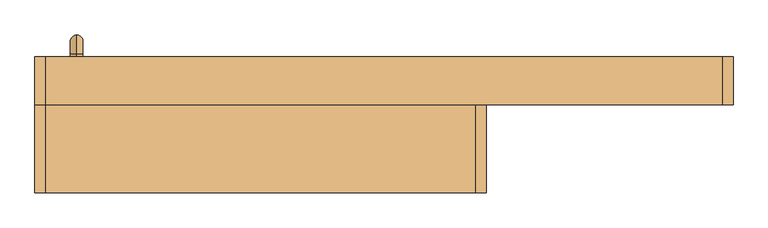
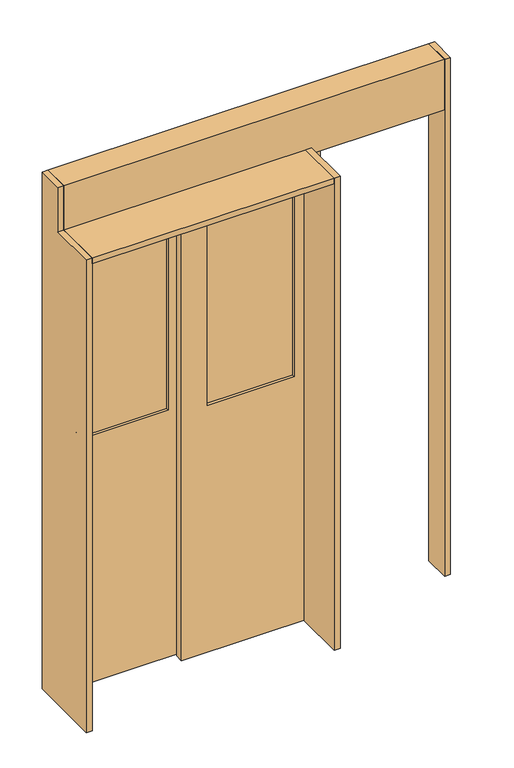
"""IFC4 building model written with IfcOpenShell, lengths in millimetres: door geometry."""

from ifc_helpers import new_model, si_unit, point, frame, origin, origin_with_axes, place, context, project, spatial, polyline, circle_curve, ellipse_curve, trimmed, outline, extrude, source, transform, mapped, element, save
from ifc_brep_helpers import cylinder_surface, revolved_surface, advanced_brep


def door_629456d8(model_context):
    return source(origin(), model_context, "Body", "SolidModel", [
        extrude(outline(polyline([(515.0, 152.5), (145.0, 152.5), (145.0, 162.5), (515.0, 162.5), (515.0, 152.5)])), frame((0.0, 0.0, 1110.0), z_axis=(0.0, 0.0, 1.0), x_axis=(1.0, 0.0, 0.0)), (0.0, 0.0, 1.0), 880.0),
        extrude(outline(polyline([(0.0, 625.0), (2100.0, 625.0), (2100.0, 35.0), (0.0, 35.0), (0.0, 625.0)]), holes=[polyline([(1990.0, 515.0), (1110.0, 515.0), (1110.0, 145.0), (1990.0, 145.0), (1990.0, 515.0)])]), frame((0.0, 140.0, 0.0), z_axis=(0.0, 1.0, 0.0), x_axis=(0.0, 0.0, 1.0)), (0.0, 0.0, 1.0), 35.0),
        advanced_brep(
        [(-400.0, 262.5, 830.0), (-400.0, 247.5, 815.0), (-400.0, 247.5, 785.0), (-400.0, 292.5, 830.0), (-400.0, 292.5, 1170.0), (-400.0, 262.5, 1170.0), (-400.0, 247.5, 1185.0), (-400.0, 247.5, 1215.0), (-400.0, 157.5, 1215.0), (-400.0, 157.5, 1185.0), (-400.0, 142.5, 1170.0), (-400.0, 112.5, 1170.0), (-400.0, 112.5, 830.0), (-400.0, 142.5, 830.0), (-400.0, 157.5, 815.0), (-400.0, 157.5, 785.0)],
        [
            (0, 1, circle_curve(frame((-400.0, 247.5, 830.0), z_axis=(-1.0, 0.0, 0.0), x_axis=(0.0, 0.0, -1.0)), 15.0)),
            (1, 2, circle_curve(frame((-400.0, 247.5, 800.0), z_axis=(0.0, 1.0, 0.0), x_axis=(0.0, 0.0, 1.0)), 15.0)),
            (2, 3, circle_curve(frame((-400.0, 247.5, 830.0), z_axis=(1.0, 0.0, 0.0), x_axis=(0.0, 0.0, -1.0)), 45.0)),
            (3, 0, circle_curve(frame((-400.0, 277.5, 830.0), z_axis=(0.0, 0.0, -1.0), x_axis=(0.0, -1.0, 0.0)), 15.0)),
            (2, 1, circle_curve(frame((-400.0, 247.5, 800.0), z_axis=(0.0, 1.0, 0.0), x_axis=(0.0, 0.0, 1.0)), 15.0)),
            (0, 3, circle_curve(frame((-400.0, 277.5, 830.0), z_axis=(0.0, 0.0, -1.0), x_axis=(0.0, -1.0, 0.0)), 15.0)),
            (3, 4),
            (4, 5, circle_curve(frame((-400.0, 277.5, 1170.0), z_axis=(0.0, 0.0, -1.0), x_axis=(0.0, -1.0, 0.0)), 15.0)),
            (5, 0),
            (5, 4, circle_curve(frame((-400.0, 277.5, 1170.0), z_axis=(0.0, 0.0, -1.0), x_axis=(0.0, -1.0, 0.0)), 15.0)),
            (6, 5, circle_curve(frame((-400.0, 247.5, 1170.0), z_axis=(-1.0, 0.0, 0.0), x_axis=(0.0, 1.0, 0.0)), 15.0)),
            (4, 7, circle_curve(frame((-400.0, 247.5, 1170.0), z_axis=(1.0, 0.0, 0.0), x_axis=(0.0, 1.0, 0.0)), 45.0)),
            (7, 6, circle_curve(frame((-400.0, 247.5, 1200.0), z_axis=(0.0, 1.0, 0.0), x_axis=(0.0, 0.0, -1.0)), 15.0)),
            (6, 7, circle_curve(frame((-400.0, 247.5, 1200.0), z_axis=(0.0, 1.0, 0.0), x_axis=(0.0, 0.0, -1.0)), 15.0)),
            (7, 8),
            (8, 9, circle_curve(frame((-400.0, 157.5, 1200.0), z_axis=(0.0, 1.0, 0.0), x_axis=(0.0, 0.0, -1.0)), 15.0)),
            (9, 6),
            (9, 8, circle_curve(frame((-400.0, 157.5, 1200.0), z_axis=(0.0, 1.0, 0.0), x_axis=(0.0, 0.0, -1.0)), 15.0)),
            (10, 9, circle_curve(frame((-400.0, 157.5, 1170.0), z_axis=(-1.0, 0.0, 0.0), x_axis=(0.0, 0.0, 1.0)), 15.0)),
            (8, 11, circle_curve(frame((-400.0, 157.5, 1170.0), z_axis=(1.0, 0.0, 0.0), x_axis=(0.0, 0.0, 1.0)), 45.0)),
            (11, 10, circle_curve(frame((-400.0, 127.5, 1170.0), z_axis=(0.0, 0.0, 1.0), x_axis=(0.0, 1.0, 0.0)), 15.0)),
            (10, 11, circle_curve(frame((-400.0, 127.5, 1170.0), z_axis=(0.0, 0.0, 1.0), x_axis=(0.0, 1.0, 0.0)), 15.0)),
            (11, 12),
            (12, 13, circle_curve(frame((-400.0, 127.5, 830.0), z_axis=(0.0, 0.0, 1.0), x_axis=(0.0, 1.0, 0.0)), 15.0)),
            (13, 10),
            (13, 12, circle_curve(frame((-400.0, 127.5, 830.0), z_axis=(0.0, 0.0, 1.0), x_axis=(0.0, 1.0, 0.0)), 15.0)),
            (14, 13, circle_curve(frame((-400.0, 157.5, 830.0), z_axis=(-1.0, 0.0, 0.0), x_axis=(0.0, -1.0, 0.0)), 15.0)),
            (12, 15, circle_curve(frame((-400.0, 157.5, 830.0), z_axis=(1.0, 0.0, 0.0), x_axis=(0.0, -1.0, 0.0)), 45.0)),
            (15, 14, circle_curve(frame((-400.0, 157.5, 800.0), z_axis=(0.0, -1.0, 0.0), x_axis=(0.0, 0.0, 1.0)), 15.0)),
            (14, 15, circle_curve(frame((-400.0, 157.5, 800.0), z_axis=(0.0, -1.0, 0.0), x_axis=(0.0, 0.0, 1.0)), 15.0)),
            (15, 2),
            (1, 14),
        ],
        [
            revolved_surface(trimmed(ellipse_curve(frame((-400.0, 247.5, 800.0), z_axis=(0.0, -1.0, 0.0), x_axis=(0.0, 0.0, 1.0)), 15.0, 15.0), [point((-400.0, 247.5, 785.0))], [point((-400.0, 247.5, 815.0))], True, "CARTESIAN"), (-400.0, 247.5, 830.0), (1.0, 0.0, 0.0)),
            revolved_surface(trimmed(ellipse_curve(frame((-400.0, 247.5, 800.0), z_axis=(0.0, -1.0, 0.0), x_axis=(0.0, 0.0, 1.0)), 15.0, 15.0), [point((-400.0, 247.5, 815.0))], [point((-400.0, 247.5, 785.0))], True, "CARTESIAN"), (-400.0, 247.5, 830.0), (1.0, 0.0, 0.0)),
            cylinder_surface(frame((-400.0, 277.5, 830.0), z_axis=(0.0, 0.0, -1.0), x_axis=(0.0, -1.0, 0.0)), 15.0),
            revolved_surface(trimmed(ellipse_curve(frame((-400.0, 277.5, 1170.0), z_axis=(0.0, 0.0, -1.0), x_axis=(0.0, -1.0, 0.0)), 15.0, 15.0), [point((-400.0, 292.5, 1170.0))], [point((-400.0, 262.5, 1170.0))], True, "CARTESIAN"), (-400.0, 247.5, 1170.0), (1.0, 0.0, 0.0)),
            revolved_surface(trimmed(ellipse_curve(frame((-400.0, 277.5, 1170.0), z_axis=(0.0, 0.0, -1.0), x_axis=(0.0, -1.0, 0.0)), 15.0, 15.0), [point((-400.0, 262.5, 1170.0))], [point((-400.0, 292.5, 1170.0))], True, "CARTESIAN"), (-400.0, 247.5, 1170.0), (1.0, 0.0, 0.0)),
            cylinder_surface(frame((-400.0, 247.5, 1200.0), z_axis=(0.0, 1.0, 0.0), x_axis=(0.0, 0.0, -1.0)), 15.0),
            revolved_surface(trimmed(ellipse_curve(frame((-400.0, 157.5, 1200.0), z_axis=(0.0, 1.0, 0.0), x_axis=(0.0, 0.0, -1.0)), 15.0, 15.0), [point((-400.0, 157.5, 1215.0))], [point((-400.0, 157.5, 1185.0))], True, "CARTESIAN"), (-400.0, 157.5, 1170.0), (1.0, 0.0, 0.0)),
            revolved_surface(trimmed(ellipse_curve(frame((-400.0, 157.5, 1200.0), z_axis=(0.0, 1.0, 0.0), x_axis=(0.0, 0.0, -1.0)), 15.0, 15.0), [point((-400.0, 157.5, 1185.0))], [point((-400.0, 157.5, 1215.0))], True, "CARTESIAN"), (-400.0, 157.5, 1170.0), (1.0, 0.0, 0.0)),
            cylinder_surface(frame((-400.0, 127.5, 1170.0), z_axis=(0.0, 0.0, 1.0), x_axis=(0.0, 1.0, 0.0)), 15.0),
            revolved_surface(trimmed(ellipse_curve(frame((-400.0, 127.5, 830.0), z_axis=(0.0, 0.0, 1.0), x_axis=(0.0, 1.0, 0.0)), 15.0, 15.0), [point((-400.0, 112.5, 830.0))], [point((-400.0, 142.5, 830.0))], True, "CARTESIAN"), (-400.0, 157.5, 830.0), (1.0, 0.0, 0.0)),
            revolved_surface(trimmed(ellipse_curve(frame((-400.0, 127.5, 830.0), z_axis=(0.0, 0.0, 1.0), x_axis=(0.0, 1.0, 0.0)), 15.0, 15.0), [point((-400.0, 142.5, 830.0))], [point((-400.0, 112.5, 830.0))], True, "CARTESIAN"), (-400.0, 157.5, 830.0), (1.0, 0.0, 0.0)),
            cylinder_surface(frame((-400.0, 157.5, 800.0), z_axis=(0.0, -1.0, 0.0), x_axis=(0.0, 0.0, 1.0)), 15.0),
        ],
        [
            (0, [[1, 2, 3, 4]]),
            (1, [[-3, 5, -1, 6]]),
            (2, [[-4, 7, 8, 9]]),
            (2, [[-6, -9, 10, -7]]),
            (3, [[11, -8, 12, 13]]),
            (4, [[-12, -10, -11, 14]]),
            (5, [[-13, 15, 16, 17]]),
            (5, [[-14, -17, 18, -15]]),
            (6, [[19, -16, 20, 21]]),
            (7, [[-20, -18, -19, 22]]),
            (8, [[-21, 23, 24, 25]]),
            (8, [[-22, -25, 26, -23]]),
            (9, [[27, -24, 28, 29]]),
            (10, [[-28, -26, -27, 30]]),
            (11, [[-29, 31, -2, 32]]),
            (11, [[-30, -32, -5, -31]]),
        ],
    ),
        extrude(outline(polyline([(5.0, 197.5), (-365.0, 197.5), (-365.0, 207.5), (5.0, 207.5), (5.0, 197.5)])), frame((0.0, 0.0, 1110.0), z_axis=(0.0, 0.0, 1.0), x_axis=(1.0, 0.0, 0.0)), (0.0, 0.0, 1.0), 880.0),
        extrude(outline(polyline([(0.0, 115.0), (2100.0, 115.0), (2100.0, -475.0), (0.0, -475.0), (0.0, 115.0)]), holes=[polyline([(1990.0, 5.0), (1110.0, 5.0), (1110.0, -365.0), (1990.0, -365.0), (1990.0, 5.0)])]), frame((0.0, 185.0, 0.0), z_axis=(0.0, 1.0, 0.0), x_axis=(0.0, 0.0, 1.0)), (0.0, 0.0, 1.0), 35.0),
        extrude(outline(polyline([(125.0, 2325.0), (240.0, 2325.0), (240.0, 0.0), (-85.0, 0.0), (-85.0, 2125.0), (125.0, 2125.0), (125.0, 2325.0)])), frame((-500.0, 0.0, 0.0), z_axis=(1.0, 0.0, 0.0), x_axis=(0.0, 1.0, 0.0)), (0.0, 0.0, 1.0), 25.0),
        extrude(outline(polyline([(1145.0, 240.0), (1170.0, 240.0), (1170.0, 125.0), (1145.0, 125.0), (1145.0, 240.0)])), origin_with_axes(), (0.0, 0.0, 1.0), 2325.0),
        extrude(outline(polyline([(580.0, 135.0), (580.0, -85.0), (555.0, -85.0), (555.0, 135.0), (580.0, 135.0)])), origin_with_axes(), (0.0, 0.0, 1.0), 2125.0),
        extrude(outline(polyline([(-475.0, 240.0), (1145.0, 240.0), (1145.0, 125.0), (-475.0, 125.0), (-475.0, 240.0)])), frame((0.0, 0.0, 2100.0), z_axis=(0.0, 0.0, 1.0), x_axis=(1.0, 0.0, 0.0)), (0.0, 0.0, 1.0), 225.0),
        extrude(outline(polyline([(-475.0, 125.0), (555.0, 125.0), (555.0, -85.0), (-475.0, -85.0), (-475.0, 125.0)])), frame((0.0, 0.0, 2100.0), z_axis=(0.0, 0.0, 1.0), x_axis=(1.0, 0.0, 0.0)), (0.0, 0.0, 1.0), 25.0),
    ])


if __name__ == "__main__":
    model = new_model("IFC4")
    model_context = context("Model", 3, world=origin())
    ifc_project = project(units=[si_unit("LENGTHUNIT", "METRE", prefix="MILLI")], contexts=[model_context])
    site = spatial("IfcSite", under=ifc_project)
    building = spatial("IfcBuilding", under=site)
    placement = place(None, origin())
    door_shape = door_629456d8(model_context)
    element("IfcDoor", 1, at=placement, inside=building, context=model_context, shape_type="MappedRepresentation", body=[
        mapped(door_shape, transform((0.0, 0.0, 0.0), x_axis=(1.0, 0.0, 0.0), y_axis=(0.0, 1.0, 0.0), z_axis=(0.0, 0.0, 1.0))),
    ])
    save(model, "model.ifc")
